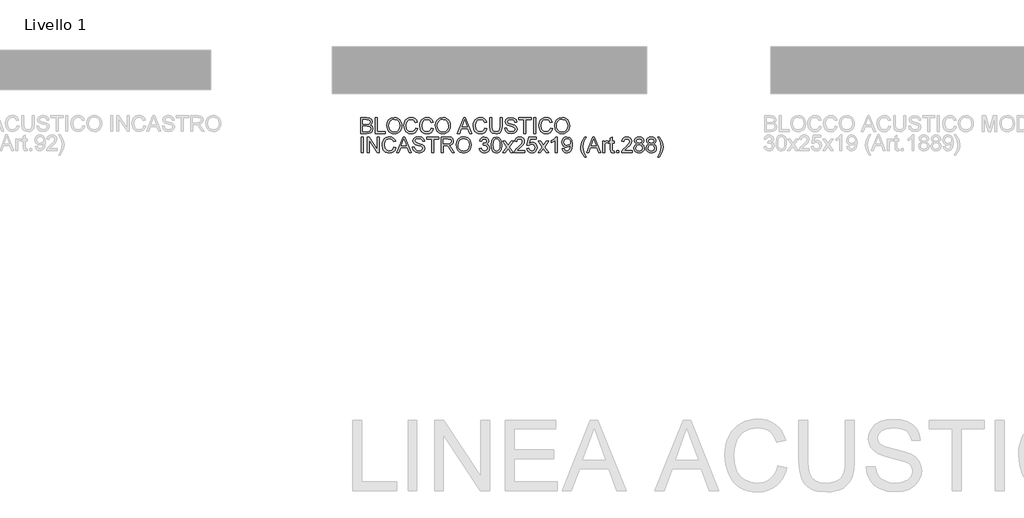
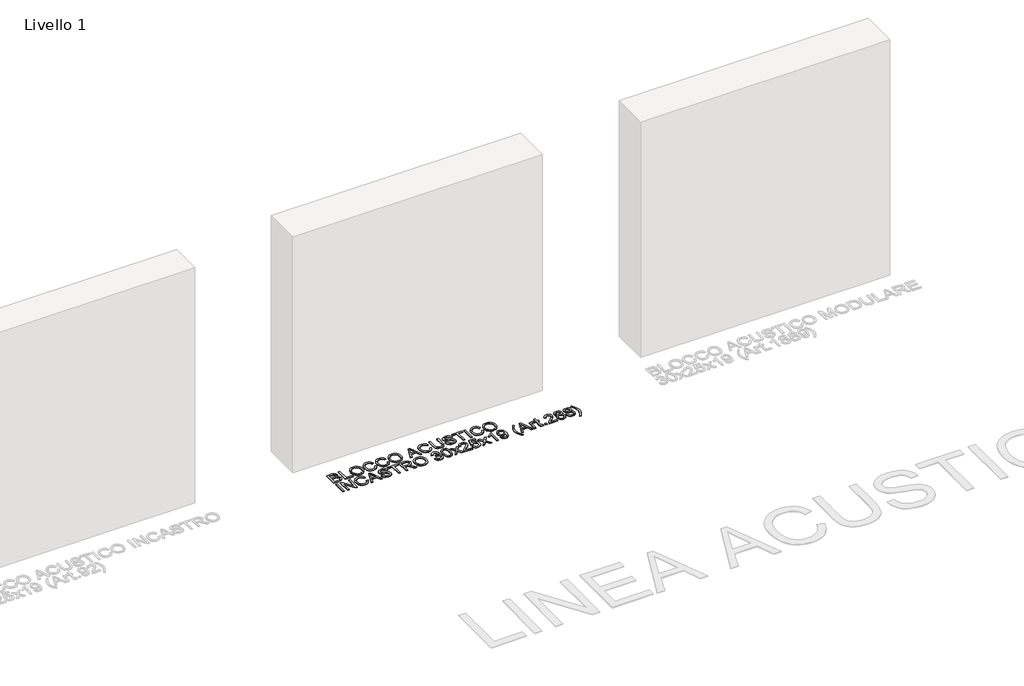
# One storey, part 2 of 4: 1 proxy.
"""IFC4 building model written with IfcOpenShell, lengths in millimetres."""

from ifc_helpers import new_model, si_unit, origin, origin_with_axes, place, context, project, spatial, polyline, outline, extrude, element, save

model = new_model("IFC4")

# Units and contexts
model_context = context("Model", 3, world=origin())
ifc_project = project(units=[si_unit("LENGTHUNIT", "METRE", prefix="MILLI")], contexts=[model_context])

# Site, building, storey
site = spatial("IfcSite", under=ifc_project)
building = spatial("IfcBuilding", under=site)
storey = spatial("IfcBuildingStorey", under=building, Name="Livello 1", Elevation=0.0)

# Proxy
placement = place(None, origin())
element("IfcBuildingElementProxy", 1, Name="100", ObjectType="100", at=placement, inside=storey, context=model_context, shape_type="SweptSolid", body=[
    extrude(outline(polyline([(-3081.7261761, 314.9383876), (-3081.7261761, 415.3946977), (-3043.3928722, 415.3946977), (-3024.6186277, 412.439379), (-3013.5331169, 403.3526938), (-3009.5232032, 390.5013494), (-3012.8954548, 378.7659137), (-3023.085786, 369.8754322), (-3010.7126883, 360.5067041), (-3006.3839435, 344.883982), (-3009.3392622, 331.3827128), (-3016.6601139, 321.76873), (-3027.5862091, 316.667433), (-3043.6871778, 314.9383876), (-3081.7261761, 314.9383876)]), holes=[polyline([(-3069.1691373, 327.4954264), (-3043.4173976, 327.4954264), (-3034.0977204, 327.9859357), (-3026.212783, 330.7205252), (-3020.9888587, 336.3000688), (-3018.9409822, 344.7613547), (-3021.3444779, 354.5224903), (-3029.1313135, 360.3472885), (-3044.643671, 362.027283), (-3069.1691373, 362.027283), (-3069.1691373, 327.4954264)]), polyline([(-3069.1691373, 374.5843217), (-3046.2378263, 374.5843217), (-3032.8469216, 375.6634423), (-3024.790306, 380.3110181), (-3022.0802419, 388.4902612), (-3024.606365, 396.6817669), (-3031.8413775, 401.5255465), (-3047.9791344, 402.837659), (-3069.1691373, 402.837659), (-3069.1691373, 374.5843217)])]), origin_with_axes(), (0.0, 0.0, 1.0), 5.0),
    extrude(outline(polyline([(-2989.1180152, 314.9383876), (-2989.1180152, 415.3946977), (-2976.5609764, 415.3946977), (-2976.5609764, 327.4954264), (-2926.3328213, 327.4954264), (-2926.3328213, 314.9383876), (-2989.1180152, 314.9383876)])), origin_with_axes(), (0.0, 0.0, 1.0), 5.0),
    extrude(outline(polyline([(-2916.9150422, 363.8421675), (-2913.5673161, 386.0561086), (-2903.5241376, 402.8621844), (-2888.1895898, 413.4387918), (-2868.9677555, 416.9643276), (-2855.7914487, 415.3088586), (-2843.9763053, 410.3424517), (-2834.1661188, 402.4145947), (-2827.0046826, 391.8747755), (-2822.6268869, 379.2318976), (-2821.1676216, 364.9948644), (-2822.703529, 350.5677588), (-2827.3112509, 337.7470713), (-2834.7363359, 327.188858), (-2844.724332, 319.5491753), (-2856.4383079, 314.9138621), (-2869.0413319, 313.3687577), (-2882.4199738, 315.0763433), (-2894.3025623, 320.1991001), (-2904.0882233, 328.2741099), (-2911.1760831, 338.8384545), (-2916.9150422, 363.8421675)]), holes=[polyline([(-2904.3580035, 363.7195401), (-2901.8472088, 348.0048476), (-2894.314825, 336.0302886), (-2882.9932566, 328.4519195), (-2869.1149083, 325.9257965), (-2855.034225, 328.476445), (-2843.6942625, 336.1283905), (-2836.2170609, 348.4708314), (-2833.7246604, 365.0929663), (-2837.9920915, 385.8169853), (-2850.4632912, 399.5389837), (-2868.8941791, 404.4072888), (-2882.4015797, 402.0620411), (-2893.8856293, 395.0262979), (-2901.7399099, 382.5091131), (-2904.3580035, 363.7195401)])]), origin_with_axes(), (0.0, 0.0, 1.0), 5.0),
    extrude(outline(polyline([(-2733.2683502, 350.6474666), (-2720.7113115, 347.410105), (-2726.5054529, 332.7775987), (-2735.5982695, 322.087561), (-2747.5421717, 315.5484586), (-2761.8895695, 313.3687577), (-2776.4546308, 315.0180954), (-2788.0214539, 319.9661082), (-2796.8874099, 328.041118), (-2803.3498703, 339.0714465), (-2808.6105829, 365.9268321), (-2807.1237265, 380.5746669), (-2802.6631573, 393.2236762), (-2795.4618672, 403.4722554), (-2785.7528482, 410.9188001), (-2774.2381418, 415.4529457), (-2761.6197893, 416.9643276), (-2747.8518057, 415.0084216), (-2736.4689236, 409.1407038), (-2727.8267624, 399.7229247), (-2722.2809413, 387.116835), (-2734.8379801, 384.1247281), (-2745.138676, 399.5635092), (-2762.1102987, 404.4072888), (-2781.7551972, 399.0362117), (-2792.8529707, 384.6152375), (-2796.0535441, 365.9513576), (-2792.2643595, 344.3198963), (-2780.4676102, 330.499796), (-2763.1403682, 325.9257965), (-2752.6587971, 327.4831636), (-2743.9246654, 332.155265), (-2737.3303806, 339.8930496), (-2733.2683502, 350.6474666)])), origin_with_axes(), (0.0, 0.0, 1.0), 5.0),
    extrude(outline(polyline([(-2632.8120401, 350.6474666), (-2620.2550013, 347.410105), (-2626.0491427, 332.7775987), (-2635.1419594, 322.087561), (-2647.0858615, 315.5484586), (-2661.4332593, 313.3687577), (-2675.9983206, 315.0180954), (-2687.5651437, 319.9661082), (-2696.4310998, 328.041118), (-2702.8935602, 339.0714465), (-2708.1542727, 365.9268321), (-2706.6674163, 380.5746669), (-2702.2068471, 393.2236762), (-2695.0055571, 403.4722554), (-2685.2965381, 410.9188001), (-2673.7818316, 415.4529457), (-2661.1634792, 416.9643276), (-2647.3954955, 415.0084216), (-2636.0126134, 409.1407038), (-2627.3704522, 399.7229247), (-2621.8246312, 387.116835), (-2634.3816699, 384.1247281), (-2644.6823658, 399.5635092), (-2661.6539885, 404.4072888), (-2681.2988871, 399.0362117), (-2692.3966606, 384.6152375), (-2695.5972339, 365.9513576), (-2691.8080494, 344.3198963), (-2680.0113001, 330.499796), (-2662.6840581, 325.9257965), (-2652.2024869, 327.4831636), (-2643.4683552, 332.155265), (-2636.8740705, 339.8930496), (-2632.8120401, 350.6474666)])), origin_with_axes(), (0.0, 0.0, 1.0), 5.0),
    extrude(outline(polyline([(-2607.6979626, 363.8421675), (-2604.3502364, 386.0561086), (-2594.3070579, 402.8621844), (-2578.9725101, 413.4387918), (-2559.7506758, 416.9643276), (-2546.5743691, 415.3088586), (-2534.7592256, 410.3424517), (-2524.9490391, 402.4145947), (-2517.7876029, 391.8747755), (-2513.4098072, 379.2318976), (-2511.9505419, 364.9948644), (-2513.4864493, 350.5677588), (-2518.0941713, 337.7470713), (-2525.5192562, 327.188858), (-2535.5072524, 319.5491753), (-2547.2212282, 314.9138621), (-2559.8242522, 313.3687577), (-2573.2028941, 315.0763433), (-2585.0854826, 320.1991001), (-2594.8711437, 328.2741099), (-2601.9590034, 338.8384545), (-2607.6979626, 363.8421675)]), holes=[polyline([(-2595.1409238, 363.7195401), (-2592.6301292, 348.0048476), (-2585.0977453, 336.0302886), (-2573.7761769, 328.4519195), (-2559.8978286, 325.9257965), (-2545.8171453, 328.476445), (-2534.4771828, 336.1283905), (-2526.9999812, 348.4708314), (-2524.5075807, 365.0929663), (-2528.7750119, 385.8169853), (-2541.2462115, 399.5389837), (-2559.6770994, 404.4072888), (-2573.1845, 402.0620411), (-2584.6685497, 395.0262979), (-2592.5228303, 382.5091131), (-2595.1409238, 363.7195401)])]), origin_with_axes(), (0.0, 0.0, 1.0), 5.0),
    extrude(outline(polyline([(-2467.1425149, 314.9383876), (-2427.0433775, 415.3946977), (-2416.3502741, 415.3946977), (-2376.2511367, 314.9383876), (-2389.5194139, 314.9383876), (-2401.0218577, 346.3309845), (-2442.3963194, 346.3309845), (-2453.8742376, 314.9383876), (-2467.1425149, 314.9383876)]), holes=[polyline([(-2437.7855317, 358.8880233), (-2405.6081199, 358.8880233), (-2414.658017, 383.5851679), (-2421.6968258, 402.837659), (-2427.9508197, 385.7434089), (-2437.7855317, 358.8880233)])]), origin_with_axes(), (0.0, 0.0, 1.0), 5.0),
    extrude(outline(polyline([(-2292.2023635, 350.6474666), (-2279.6453247, 347.410105), (-2285.4394661, 332.7775987), (-2294.5322828, 322.087561), (-2306.4761849, 315.5484586), (-2320.8235827, 313.3687577), (-2335.388644, 315.0180954), (-2346.9554671, 319.9661082), (-2355.8214232, 328.041118), (-2362.2838836, 339.0714465), (-2367.5445961, 365.9268321), (-2366.0577397, 380.5746669), (-2361.5971705, 393.2236762), (-2354.3958805, 403.4722554), (-2344.6868615, 410.9188001), (-2333.172155, 415.4529457), (-2320.5538026, 416.9643276), (-2306.7858189, 415.0084216), (-2295.4029368, 409.1407038), (-2286.7607756, 399.7229247), (-2281.2149546, 387.116835), (-2293.7719933, 384.1247281), (-2304.0726892, 399.5635092), (-2321.0443119, 404.4072888), (-2340.6892105, 399.0362117), (-2351.786984, 384.6152375), (-2354.9875573, 365.9513576), (-2351.1983728, 344.3198963), (-2339.4016235, 330.499796), (-2322.0743815, 325.9257965), (-2311.5928103, 327.4831636), (-2302.8586786, 332.155265), (-2296.2643939, 339.8930496), (-2292.2023635, 350.6474666)])), origin_with_axes(), (0.0, 0.0, 1.0), 5.0),
    extrude(outline(polyline([(-2196.4549429, 415.3946977), (-2183.8979041, 415.3946977), (-2183.8979041, 357.4410208), (-2187.3069439, 333.4183265), (-2199.5942026, 318.9483013), (-2209.8581102, 314.7636436), (-2222.8933956, 313.3687577), (-2245.8369694, 318.2248001), (-2253.4766521, 324.16916), (-2258.5656864, 332.290155), (-2262.3793964, 357.4410208), (-2262.3793964, 415.3946977), (-2249.8223576, 415.3946977), (-2249.8223576, 357.8824792), (-2247.3452855, 338.7403527), (-2238.8349487, 329.2612599), (-2224.070618, 325.9257965), (-2211.2989814, 327.5751341), (-2202.8070387, 332.523147), (-2198.0429668, 342.1616552), (-2196.4549429, 357.8824792), (-2196.4549429, 415.3946977)])), origin_with_axes(), (0.0, 0.0, 1.0), 5.0),
    extrude(outline(polyline([(-2166.6319758, 349.4702442), (-2154.074937, 349.4702442), (-2150.0282351, 336.9009427), (-2140.1444721, 328.9546916), (-2125.0858358, 325.9257965), (-2111.9647113, 328.2189276), (-2103.4911627, 334.5219725), (-2100.7075223, 342.9464702), (-2102.7921869, 350.7823567), (-2111.3270492, 356.4845276), (-2129.6107844, 361.2792562), (-2149.2924711, 367.4719365), (-2159.9733117, 376.8161392), (-2163.4927161, 389.2996015), (-2159.1394458, 403.5121093), (-2146.4229915, 413.543025), (-2127.8081626, 416.9643276), (-2107.9425348, 413.3836095), (-2094.698783, 402.8621844), (-2089.7201133, 387.1413605), (-2102.2771521, 387.1413605), (-2104.5825459, 394.6338905), (-2109.3895374, 400.0417558), (-2127.3176533, 404.4072888), (-2145.2948201, 400.0908067), (-2150.9356773, 389.6674835), (-2146.9380263, 380.960943), (-2126.4347365, 373.9466596), (-2104.214664, 367.6436148), (-2092.0622954, 357.4655462), (-2088.1504835, 343.2653012), (-2092.6509066, 328.2434531), (-2105.6003528, 317.2805696), (-2124.5953265, 313.3687577), (-2147.0238655, 317.587138), (-2161.2118477, 330.2913295), (-2166.6319758, 349.4702442)])), origin_with_axes(), (0.0, 0.0, 1.0), 5.0),
    extrude(outline(polyline([(-2044.2008478, 314.9383876), (-2044.2008478, 402.837659), (-2077.1630746, 402.837659), (-2077.1630746, 415.3946977), (-1998.6815823, 415.3946977), (-1998.6815823, 402.837659), (-2031.643809, 402.837659), (-2031.643809, 314.9383876), (-2044.2008478, 314.9383876)])), origin_with_axes(), (0.0, 0.0, 1.0), 5.0),
    extrude(outline(polyline([(-1982.9852838, 314.9383876), (-1982.9852838, 415.3946977), (-1970.428245, 415.3946977), (-1970.428245, 314.9383876), (-1982.9852838, 314.9383876)])), origin_with_axes(), (0.0, 0.0, 1.0), 5.0),
    extrude(outline(polyline([(-1874.6808244, 350.6474666), (-1862.1237857, 347.410105), (-1867.9179271, 332.7775987), (-1877.0107437, 322.087561), (-1888.9546458, 315.5484586), (-1903.3020437, 313.3687577), (-1917.867105, 315.0180954), (-1929.433928, 319.9661082), (-1938.2998841, 328.041118), (-1944.7623445, 339.0714465), (-1950.023057, 365.9268321), (-1948.5362006, 380.5746669), (-1944.0756315, 393.2236762), (-1936.8743414, 403.4722554), (-1927.1653224, 410.9188001), (-1915.650616, 415.4529457), (-1903.0322635, 416.9643276), (-1889.2642799, 415.0084216), (-1877.8813978, 409.1407038), (-1869.2392366, 399.7229247), (-1863.6934155, 387.116835), (-1876.2504543, 384.1247281), (-1886.5511501, 399.5635092), (-1903.5227729, 404.4072888), (-1923.1676714, 399.0362117), (-1934.2654449, 384.6152375), (-1937.4660183, 365.9513576), (-1933.6768337, 344.3198963), (-1921.8800844, 330.499796), (-1904.5528424, 325.9257965), (-1894.0712713, 327.4831636), (-1885.3371396, 332.155265), (-1878.7428548, 339.8930496), (-1874.6808244, 350.6474666)])), origin_with_axes(), (0.0, 0.0, 1.0), 5.0),
    extrude(outline(polyline([(-1849.5667469, 363.8421675), (-1846.2190207, 386.0561086), (-1836.1758423, 402.8621844), (-1820.8412944, 413.4387918), (-1801.6194602, 416.9643276), (-1788.4431534, 415.3088586), (-1776.62801, 410.3424517), (-1766.8178234, 402.4145947), (-1759.6563873, 391.8747755), (-1755.2785915, 379.2318976), (-1753.8193263, 364.9948644), (-1755.3552336, 350.5677588), (-1759.9629556, 337.7470713), (-1767.3880405, 327.188858), (-1777.3760367, 319.5491753), (-1789.0900126, 314.9138621), (-1801.6930366, 313.3687577), (-1815.0716785, 315.0763433), (-1826.9542669, 320.1991001), (-1836.739928, 328.2741099), (-1843.8277878, 338.8384545), (-1849.5667469, 363.8421675)]), holes=[polyline([(-1837.0097081, 363.7195401), (-1834.4989135, 348.0048476), (-1826.9665297, 336.0302886), (-1815.6449613, 328.4519195), (-1801.766613, 325.9257965), (-1787.6859296, 328.476445), (-1776.3459671, 336.1283905), (-1768.8687656, 348.4708314), (-1766.376365, 365.0929663), (-1770.6437962, 385.8169853), (-1783.1149958, 399.5389837), (-1801.5458838, 404.4072888), (-1815.0532844, 402.0620411), (-1826.537334, 395.0262979), (-1834.3916146, 382.5091131), (-1837.0097081, 363.7195401)])]), origin_with_axes(), (0.0, 0.0, 1.0), 5.0),
    extrude(outline(polyline([(-3080.1565462, 192.9635697), (-3080.1565462, 293.4198799), (-3067.5995075, 293.4198799), (-3067.5995075, 192.9635697), (-3080.1565462, 192.9635697)])), origin_with_axes(), (0.0, 0.0, 1.0), 5.0),
    extrude(outline(polyline([(-3042.4854299, 192.9635697), (-3042.4854299, 293.4198799), (-3029.0454744, 293.4198799), (-2976.5609764, 213.8347416), (-2976.5609764, 293.4198799), (-2964.0039376, 293.4198799), (-2964.0039376, 192.9635697), (-2977.4438932, 192.9635697), (-3029.9283912, 272.5732335), (-3029.9283912, 192.9635697), (-3042.4854299, 192.9635697)])), origin_with_axes(), (0.0, 0.0, 1.0), 5.0),
    extrude(outline(polyline([(-2871.3957767, 228.6726487), (-2858.8387379, 225.4352872), (-2864.6328794, 210.8027808), (-2873.725696, 200.1127432), (-2885.6695981, 193.5736407), (-2900.0169959, 191.3939399), (-2914.5820572, 193.0432775), (-2926.1488803, 197.9912903), (-2935.0148364, 206.0663001), (-2941.4772968, 217.0966286), (-2946.7380093, 243.9520143), (-2945.2511529, 258.599849), (-2940.7905837, 271.2488583), (-2933.5892937, 281.4974376), (-2923.8802747, 288.9439823), (-2912.3655682, 293.4781279), (-2899.7472158, 294.9895097), (-2885.9792321, 293.0336038), (-2874.5963501, 287.165886), (-2865.9541889, 277.7481069), (-2860.4083678, 265.1420172), (-2872.9654065, 262.1499103), (-2883.2661024, 277.5886914), (-2900.2377251, 282.432471), (-2919.8826237, 277.0613938), (-2930.9803972, 262.6404196), (-2934.1809705, 243.9765397), (-2930.391786, 222.3450784), (-2918.5950367, 208.5249781), (-2901.2677947, 203.9509787), (-2890.7862235, 205.5083458), (-2882.0520918, 210.1804471), (-2875.4578071, 217.9182317), (-2871.3957767, 228.6726487)])), origin_with_axes(), (0.0, 0.0, 1.0), 5.0),
    extrude(outline(polyline([(-2853.2714571, 192.9635697), (-2813.1723196, 293.4198799), (-2802.4792163, 293.4198799), (-2762.3800788, 192.9635697), (-2775.6483561, 192.9635697), (-2787.1507998, 224.3561667), (-2828.5252615, 224.3561667), (-2840.0031798, 192.9635697), (-2853.2714571, 192.9635697)]), holes=[polyline([(-2823.9144739, 236.9132054), (-2791.737062, 236.9132054), (-2800.7869591, 261.61035), (-2807.8257679, 280.8628411), (-2814.0797618, 263.7685911), (-2823.9144739, 236.9132054)])]), origin_with_axes(), (0.0, 0.0, 1.0), 5.0),
    extrude(outline(polyline([(-2753.6735382, 227.4954264), (-2741.1164995, 227.4954264), (-2737.0697975, 214.9261249), (-2727.1860346, 206.9798738), (-2712.1273983, 203.9509787), (-2699.0062738, 206.2441098), (-2690.5327251, 212.5471546), (-2687.7490847, 220.9716523), (-2689.8337493, 228.8075388), (-2698.3686116, 234.5097097), (-2716.6523468, 239.3044384), (-2736.3340335, 245.4971187), (-2747.0148741, 254.8413213), (-2750.5342785, 267.3247837), (-2746.1810083, 281.5372914), (-2733.464554, 291.5682072), (-2714.849725, 294.9895097), (-2694.9840973, 291.4087917), (-2681.7403454, 280.8873666), (-2676.7616758, 265.1665427), (-2689.3187145, 265.1665427), (-2691.6241084, 272.6590726), (-2696.4310998, 278.066938), (-2714.3592157, 282.432471), (-2732.3363825, 278.1159889), (-2737.9772398, 267.6926657), (-2733.9795888, 258.9861251), (-2713.4762989, 251.9718418), (-2691.2562264, 245.6687969), (-2679.1038578, 235.4907284), (-2675.1920459, 221.2904834), (-2679.692469, 206.2686352), (-2692.6419152, 195.3057518), (-2711.6368889, 191.3939399), (-2734.0654279, 195.6123201), (-2748.2534102, 208.3165117), (-2753.6735382, 227.4954264)])), origin_with_axes(), (0.0, 0.0, 1.0), 5.0),
    extrude(outline(polyline([(-2631.2424102, 192.9635697), (-2631.2424102, 280.8628411), (-2664.204637, 280.8628411), (-2664.204637, 293.4198799), (-2585.7231447, 293.4198799), (-2585.7231447, 280.8628411), (-2618.6853715, 280.8628411), (-2618.6853715, 192.9635697), (-2631.2424102, 192.9635697)])), origin_with_axes(), (0.0, 0.0, 1.0), 5.0),
    extrude(outline(polyline([(-2571.5964761, 192.9635697), (-2571.5964761, 293.4198799), (-2528.309028, 293.4198799), (-2508.2104083, 290.7098159), (-2497.2229994, 281.1203585), (-2493.1149838, 265.9268321), (-2494.816438, 256.0308064), (-2499.9208007, 247.827038), (-2508.581356, 241.8121673), (-2520.9513881, 238.4828353), (-2513.8144774, 233.1117581), (-2503.6364089, 220.1868374), (-2486.8855153, 192.9635697), (-2501.4781678, 192.9635697), (-2514.5502414, 213.7856907), (-2523.9925459, 227.5690028), (-2530.6266846, 234.0805141), (-2536.5986356, 236.471747), (-2543.8826991, 236.9132054), (-2559.0394373, 236.9132054), (-2559.0394373, 192.9635697), (-2571.5964761, 192.9635697)]), holes=[polyline([(-2559.0394373, 249.4702442), (-2530.9332529, 249.4702442), (-2516.5981178, 251.2483405), (-2508.455663, 256.9382487), (-2505.6720226, 265.4608483), (-2510.981786, 276.5218336), (-2527.7694677, 280.8628411), (-2559.0394373, 280.8628411), (-2559.0394373, 249.4702442)])]), origin_with_axes(), (0.0, 0.0, 1.0), 5.0),
    extrude(outline(polyline([(-2475.8490555, 241.8673496), (-2472.5013293, 264.0812908), (-2462.4581509, 280.8873666), (-2447.123603, 291.463974), (-2427.9017688, 294.9895097), (-2414.725462, 293.3340408), (-2402.9103186, 288.3676338), (-2393.100132, 280.4397768), (-2385.9386959, 269.8999577), (-2381.5609001, 257.2570798), (-2380.1016349, 243.0200466), (-2381.6375422, 228.592941), (-2386.2452642, 215.7722534), (-2393.6703491, 205.2140402), (-2403.6583453, 197.5743574), (-2415.3723212, 192.9390443), (-2427.9753452, 191.3939399), (-2441.3539871, 193.1015255), (-2453.2365755, 198.2242823), (-2463.0222366, 206.2992921), (-2470.1100964, 216.8636367), (-2475.8490555, 241.8673496)]), holes=[polyline([(-2463.2920167, 241.7447223), (-2460.7812221, 226.0300297), (-2453.2488382, 214.0554708), (-2441.9272698, 206.4771017), (-2428.0489216, 203.9509787), (-2413.9682382, 206.5016272), (-2402.6282757, 214.1535727), (-2395.1510742, 226.4960136), (-2392.6586736, 243.1181484), (-2396.9261048, 263.8421675), (-2409.3973044, 277.5641659), (-2427.8281924, 282.432471), (-2441.335593, 280.0872232), (-2452.8196426, 273.0514801), (-2460.6739232, 260.5342952), (-2463.2920167, 241.7447223)])]), origin_with_axes(), (0.0, 0.0, 1.0), 5.0),
    extrude(outline(polyline([(-2328.3038499, 219.6472771), (-2315.7468112, 221.216907), (-2308.8183669, 207.9976806), (-2295.856658, 203.9509787), (-2287.2482193, 205.3427989), (-2280.6018179, 209.5182595), (-2274.9364352, 223.3015716), (-2280.552767, 236.287806), (-2294.8265884, 241.4258912), (-2303.6312308, 240.0524651), (-2302.2332792, 252.6095039), (-2300.222191, 252.4623511), (-2285.972895, 256.0675946), (-2281.2272173, 260.6415941), (-2279.6453247, 267.1531054), (-2284.2315869, 276.9755547), (-2296.0528617, 280.8628411), (-2308.0212893, 276.9387665), (-2314.1771813, 265.1665427), (-2326.7342201, 266.7361725), (-2323.0370061, 278.0117557), (-2316.4580497, 286.430122), (-2307.4572036, 291.6724404), (-2296.4943201, 293.4198799), (-2281.3498446, 289.9740519), (-2270.7548432, 280.5562728), (-2267.088286, 267.8888694), (-2270.5709022, 256.3128493), (-2280.871598, 247.9987162), (-2267.1863878, 239.414803), (-2262.3793964, 223.0808424), (-2264.7828921, 210.8426347), (-2271.9933792, 200.6155152), (-2282.8765549, 193.6993337), (-2296.2981164, 191.3939399), (-2308.4382222, 193.3621086), (-2318.3219851, 199.2666146), (-2325.1952471, 208.2981176), (-2328.3038499, 219.6472771)])), origin_with_axes(), (0.0, 0.0, 1.0), 5.0),
    extrude(outline(polyline([(-2251.3919875, 242.3823844), (-2247.7009048, 271.2856465), (-2236.7380213, 287.9507009), (-2218.4297607, 293.4198799), (-2203.7635318, 290.1825183), (-2193.6345142, 280.8505784), (-2187.7484023, 265.9881458), (-2185.467534, 242.3823844), (-2189.1218284, 213.6017497), (-2200.0479237, 196.8999071), (-2208.2792833, 192.7704317), (-2218.4297607, 191.3939399), (-2231.4773088, 193.7851729), (-2241.3855972, 200.9588718), (-2248.8903899, 217.9488886), (-2251.3919875, 242.3823844)]), holes=[polyline([(-2238.8349487, 242.4069099), (-2237.3634207, 222.6547124), (-2232.9488368, 211.2227794), (-2226.3760118, 205.7689289), (-2218.4297607, 203.9509787), (-2210.4835096, 205.7750602), (-2203.9106846, 211.2473049), (-2199.4961007, 222.6853693), (-2198.0245727, 242.4069099), (-2199.4470498, 261.7145833), (-2203.7144809, 273.2354211), (-2210.2750432, 278.9559861), (-2218.5769135, 280.8628411), (-2226.4373255, 279.1828467), (-2232.7526331, 274.1428633), (-2237.3143698, 261.9046556), (-2238.8349487, 242.4069099)])]), origin_with_axes(), (0.0, 0.0, 1.0), 5.0),
    extrude(outline(polyline([(-2179.1890146, 192.9635697), (-2152.3581544, 230.0460749), (-2177.6193847, 266.7361725), (-2162.5116975, 266.7361725), (-2150.3225407, 249.0778367), (-2144.6326325, 240.7391782), (-2139.7030138, 247.5572578), (-2125.8215998, 266.7361725), (-2110.7139125, 266.7361725), (-2137.2504671, 230.0460749), (-2111.6949312, 192.9635697), (-2126.8026185, 192.9635697), (-2142.1800859, 215.2572186), (-2145.0005145, 219.3284461), (-2164.0813273, 192.9635697), (-2179.1890146, 192.9635697)])), origin_with_axes(), (0.0, 0.0, 1.0), 5.0),
    extrude(outline(polyline([(-2039.4919583, 205.5206085), (-2039.4919583, 192.9635697), (-2105.4164118, 192.9635697), (-2104.0675112, 201.6210594), (-2096.4400911, 214.9506503), (-2080.7192672, 229.5065146), (-2059.0387549, 250.4267374), (-2053.6186269, 264.6515079), (-2058.7321866, 276.1662143), (-2072.086303, 280.8628411), (-2086.0045052, 276.2765789), (-2091.2897432, 263.5969128), (-2103.846782, 265.1665427), (-2100.8025584, 277.3127799), (-2094.2205364, 286.1848673), (-2084.4440724, 291.6111267), (-2071.8165229, 293.4198799), (-2059.0970029, 291.4087917), (-2049.338933, 285.3755269), (-2043.1309243, 276.362418), (-2041.0615881, 265.4117973), (-2043.2934056, 253.5046834), (-2050.7123591, 241.1928993), (-2068.7017887, 223.9882847), (-2083.1472884, 211.9094925), (-2088.8126711, 205.5206085), (-2039.4919583, 205.5206085)])), origin_with_axes(), (0.0, 0.0, 1.0), 5.0),
    extrude(outline(polyline([(-2026.9349195, 219.6472771), (-2014.3778807, 221.216907), (-2008.0503104, 208.2797235), (-1994.9291859, 203.9509787), (-1985.9283398, 205.4562292), (-1979.1838365, 209.9719807), (-1974.9715877, 216.977067), (-1973.5675047, 225.950322), (-1978.8282173, 240.8618055), (-1985.4347648, 244.9636898), (-1994.7329822, 246.3309845), (-2005.7571793, 244.148218), (-2012.8082509, 238.4828353), (-2025.3652897, 240.0524651), (-2014.3778807, 291.85025), (-1965.7193555, 291.85025), (-1965.7193555, 279.2932113), (-2004.2243377, 279.2932113), (-2009.5954148, 251.6284852), (-2000.6252255, 257.0731388), (-1991.2258405, 258.8880233), (-1979.4934705, 256.6378117), (-1969.7537947, 249.8871771), (-1963.1962982, 239.598744), (-1961.010466, 226.7351369), (-1962.9786346, 214.1780981), (-1968.8831407, 203.4359439), (-1980.1893806, 194.4044409), (-1994.9782369, 191.3939399), (-2007.3114807, 193.3283861), (-2017.1369957, 199.1317245), (-2023.8723019, 208.129505), (-2026.9349195, 219.6472771)])), origin_with_axes(), (0.0, 0.0, 1.0), 5.0),
    extrude(outline(polyline([(-1954.7319466, 192.9635697), (-1927.9010864, 230.0460749), (-1953.1623167, 266.7361725), (-1938.0546295, 266.7361725), (-1925.8654727, 249.0778367), (-1920.1755645, 240.7391782), (-1915.2459458, 247.5572578), (-1901.3645318, 266.7361725), (-1886.2568445, 266.7361725), (-1912.7933991, 230.0460749), (-1887.2378632, 192.9635697), (-1902.3455505, 192.9635697), (-1917.7230179, 215.2572186), (-1920.5434465, 219.3284461), (-1939.6242593, 192.9635697), (-1954.7319466, 192.9635697)])), origin_with_axes(), (0.0, 0.0, 1.0), 5.0),
    extrude(outline(polyline([(-1832.3008186, 192.9635697), (-1844.8578574, 192.9635697), (-1844.8578574, 271.2488583), (-1856.7527085, 262.7753097), (-1869.9719349, 256.4354766), (-1869.9719349, 268.3058024), (-1851.5655724, 280.0535007), (-1840.3942225, 293.4198799), (-1832.3008186, 293.4198799), (-1832.3008186, 192.9635697)])), origin_with_axes(), (0.0, 0.0, 1.0), 5.0),
    extrude(outline(polyline([(-1800.9082217, 218.0776473), (-1788.3511829, 219.6472771), (-1782.7103256, 207.6665868), (-1772.0172223, 203.9509787), (-1761.8514165, 206.3422116), (-1754.9597605, 212.7310956), (-1750.8517449, 223.6449281), (-1749.0368603, 238.2130551), (-1749.1104367, 240.6656018), (-1759.1536152, 231.1497208), (-1772.9246646, 227.4954264), (-1784.3749917, 229.7272438), (-1793.906201, 236.4226961), (-1800.3349389, 246.7663115), (-1802.4778515, 259.9426183), (-1800.2307057, 273.5542522), (-1793.4892681, 284.22283), (-1783.3633162, 291.1206174), (-1770.9626273, 293.4198799), (-1753.0712996, 288.1714301), (-1740.7595155, 273.2108956), (-1736.553398, 245.1047112), (-1740.7472527, 214.6072938), (-1745.96198, 204.6162319), (-1753.2184524, 197.3291028), (-1762.2039701, 192.8777306), (-1772.6058335, 191.3939399), (-1783.3418564, 193.1444451), (-1791.9073755, 198.3959605), (-1797.8977207, 206.8173925), (-1800.9082217, 218.0776473)]), holes=[polyline([(-1749.1104367, 260.2369239), (-1750.4654688, 268.7472607), (-1754.5305648, 275.2955603), (-1760.839741, 279.4710209), (-1768.9270135, 280.8628411), (-1777.314723, 279.363722), (-1784.0347008, 274.8663646), (-1788.4492848, 267.9839056), (-1789.9208127, 259.3294817), (-1788.5289925, 251.5702373), (-1784.3535319, 245.4112795), (-1777.799101, 241.3921687), (-1769.2703701, 240.0524651), (-1754.7880822, 245.4112795), (-1750.5298481, 251.7970978), (-1749.1104367, 260.2369239)])]), origin_with_axes(), (0.0, 0.0, 1.0), 5.0),
    extrude(outline(polyline([(-1658.0719057, 164.7102325), (-1675.9019197, 194.1653176), (-1681.3649673, 211.3454068), (-1683.1859832, 229.1386326), (-1677.7413297, 259.6728382), (-1658.0719057, 293.4198799), (-1648.6541266, 293.4198799), (-1660.401825, 273.5297267), (-1667.4651593, 254.2527101), (-1670.6289444, 229.0650562), (-1665.13524, 196.8753816), (-1648.6541266, 164.7102325), (-1658.0719057, 164.7102325)])), origin_with_axes(), (0.0, 0.0, 1.0), 5.0),
    extrude(outline(polyline([(-1646.2261054, 192.9635697), (-1606.126968, 293.4198799), (-1595.4338646, 293.4198799), (-1555.3347272, 192.9635697), (-1568.6030044, 192.9635697), (-1580.1054482, 224.3561667), (-1621.4799099, 224.3561667), (-1632.9578281, 192.9635697), (-1646.2261054, 192.9635697)]), holes=[polyline([(-1616.8691222, 236.9132054), (-1584.6917104, 236.9132054), (-1593.7416074, 261.61035), (-1600.7804163, 280.8628411), (-1607.0344102, 263.7685911), (-1616.8691222, 236.9132054)])]), origin_with_axes(), (0.0, 0.0, 1.0), 5.0),
    extrude(outline(polyline([(-1543.4889269, 192.9635697), (-1543.4889269, 266.7361725), (-1532.501518, 266.7361725), (-1532.501518, 255.82234), (-1524.7024197, 265.8777812), (-1516.8542705, 268.3058024), (-1504.2481808, 264.4307787), (-1508.4420355, 253.1735896), (-1517.2712034, 255.7487636), (-1524.3713259, 253.2716915), (-1528.8962744, 246.4045609), (-1530.9318881, 231.738332), (-1530.9318881, 192.9635697), (-1543.4889269, 192.9635697)])), origin_with_axes(), (0.0, 0.0, 1.0), 5.0),
    extrude(outline(polyline([(-1469.7163241, 203.4359439), (-1468.1466943, 192.5956877), (-1477.5399479, 191.3939399), (-1488.061373, 193.4786045), (-1493.3098228, 198.9477835), (-1494.8304017, 213.1970795), (-1494.8304017, 254.1791337), (-1504.2481808, 254.1791337), (-1504.2481808, 266.7361725), (-1494.8304017, 266.7361725), (-1494.8304017, 284.6642884), (-1482.2733629, 292.0464538), (-1482.2733629, 266.7361725), (-1469.7163241, 266.7361725), (-1469.7163241, 254.1791337), (-1482.2733629, 254.1791337), (-1482.2733629, 213.5649615), (-1481.6111753, 207.0902384), (-1479.465197, 204.7971073), (-1475.1855031, 203.9509787), (-1469.7163241, 203.4359439)])), origin_with_axes(), (0.0, 0.0, 1.0), 5.0),
    extrude(outline(polyline([(-1454.0200257, 192.9635697), (-1454.0200257, 205.5206085), (-1441.4629869, 205.5206085), (-1441.4629869, 192.9635697), (-1454.0200257, 192.9635697)])), origin_with_axes(), (0.0, 0.0, 1.0), 5.0),
    extrude(outline(polyline([(-1356.7029752, 205.5206085), (-1356.7029752, 192.9635697), (-1422.6274288, 192.9635697), (-1421.2785281, 201.6210594), (-1413.6511081, 214.9506503), (-1397.9302841, 229.5065146), (-1376.2497719, 250.4267374), (-1370.8296438, 264.6515079), (-1375.9432036, 276.1662143), (-1389.29732, 280.8628411), (-1403.2155221, 276.2765789), (-1408.5007601, 263.5969128), (-1421.0577989, 265.1665427), (-1418.0135754, 277.3127799), (-1411.4315534, 286.1848673), (-1401.6550893, 291.6111267), (-1389.0275399, 293.4198799), (-1376.3080199, 291.4087917), (-1366.54995, 285.3755269), (-1360.3419413, 276.362418), (-1358.2726051, 265.4117973), (-1360.5044225, 253.5046834), (-1367.9233761, 241.1928993), (-1385.9128056, 223.9882847), (-1400.3583053, 211.9094925), (-1406.023688, 205.5206085), (-1356.7029752, 205.5206085)])), origin_with_axes(), (0.0, 0.0, 1.0), 5.0),
    extrude(outline(polyline([(-1325.8499386, 248.2930218), (-1337.2910686, 256.0921201), (-1341.0066768, 268.232226), (-1338.9833258, 278.0485439), (-1332.9132729, 286.1603419), (-1323.4770997, 291.6049954), (-1311.3553879, 293.4198799), (-1299.1600998, 291.5620758), (-1289.6012993, 285.9886636), (-1283.4208818, 277.7481069), (-1281.3607426, 267.8888694), (-1285.0272998, 256.0553319), (-1296.1495988, 248.2930218), (-1282.7954824, 238.4460471), (-1278.2214829, 222.1979256), (-1280.4900886, 210.1927098), (-1287.2959055, 200.2721587), (-1297.8050678, 193.6134946), (-1311.1837097, 191.3939399), (-1324.5623516, 193.6226916), (-1335.0715139, 200.3089469), (-1341.8773308, 210.3245342), (-1344.1459365, 222.5412822), (-1339.387996, 239.1695483), (-1325.8499386, 248.2930218)]), holes=[polyline([(-1328.449638, 267.864344), (-1323.9982658, 258.0051065), (-1311.0365569, 254.1791337), (-1298.3323653, 257.980581), (-1293.9177814, 267.3002582), (-1298.4795181, 276.9510292), (-1311.1837097, 280.8628411), (-1323.9246895, 277.0368684), (-1328.449638, 267.864344)]), polyline([(-1331.5888977, 222.9827405), (-1329.4919703, 213.5281733), (-1322.0730167, 206.4525762), (-1311.0856078, 203.9509787), (-1302.5384828, 205.2661568), (-1296.1250733, 209.2116912), (-1290.7785217, 222.5903331), (-1296.2967516, 236.2264924), (-1302.8573139, 240.2731943), (-1311.5025407, 241.622095), (-1319.9301041, 240.2915884), (-1326.2791342, 236.3000688), (-1331.5888977, 222.9827405)])]), origin_with_axes(), (0.0, 0.0, 1.0), 5.0),
    extrude(outline(polyline([(-1248.9380761, 248.2930218), (-1260.3792062, 256.0921201), (-1264.0948143, 268.232226), (-1262.0714633, 278.0485439), (-1256.0014104, 286.1603419), (-1246.5652372, 291.6049954), (-1234.4435255, 293.4198799), (-1222.2482374, 291.5620758), (-1212.6894368, 285.9886636), (-1206.5090193, 277.7481069), (-1204.4488802, 267.8888694), (-1208.1154374, 256.0553319), (-1219.2377364, 248.2930218), (-1205.8836199, 238.4460471), (-1201.3096205, 222.1979256), (-1203.5782261, 210.1927098), (-1210.384043, 200.2721587), (-1220.8932053, 193.6134946), (-1234.2718472, 191.3939399), (-1247.6504891, 193.6226916), (-1258.1596514, 200.3089469), (-1264.9654684, 210.3245342), (-1267.234074, 222.5412822), (-1262.4761335, 239.1695483), (-1248.9380761, 248.2930218)]), holes=[polyline([(-1251.5377755, 267.864344), (-1247.0864034, 258.0051065), (-1234.1246944, 254.1791337), (-1221.4205029, 257.980581), (-1217.0059189, 267.3002582), (-1221.5676557, 276.9510292), (-1234.2718472, 280.8628411), (-1247.012827, 277.0368684), (-1251.5377755, 267.864344)]), polyline([(-1254.6770352, 222.9827405), (-1252.5801079, 213.5281733), (-1245.1611543, 206.4525762), (-1234.1737454, 203.9509787), (-1225.6266203, 205.2661568), (-1219.2132109, 209.2116912), (-1213.8666592, 222.5903331), (-1219.3848892, 236.2264924), (-1225.9454514, 240.2731943), (-1234.5906783, 241.622095), (-1243.0182417, 240.2915884), (-1249.3672718, 236.3000688), (-1254.6770352, 222.9827405)])]), origin_with_axes(), (0.0, 0.0, 1.0), 5.0),
    extrude(outline(polyline([(-1184.0436922, 164.7102325), (-1193.4614712, 164.7102325), (-1176.9803578, 196.8753816), (-1171.4866534, 229.0650562), (-1174.6504385, 254.0319809), (-1181.6401964, 273.333523), (-1193.4614712, 293.4198799), (-1184.0436922, 293.4198799), (-1164.3742681, 259.6728382), (-1158.9296146, 229.1386326), (-1160.7598275, 211.3454068), (-1166.2504663, 194.1653176), (-1184.0436922, 164.7102325)])), origin_with_axes(), (0.0, 0.0, 1.0), 5.0),
])

save(model, "model.ifc")
